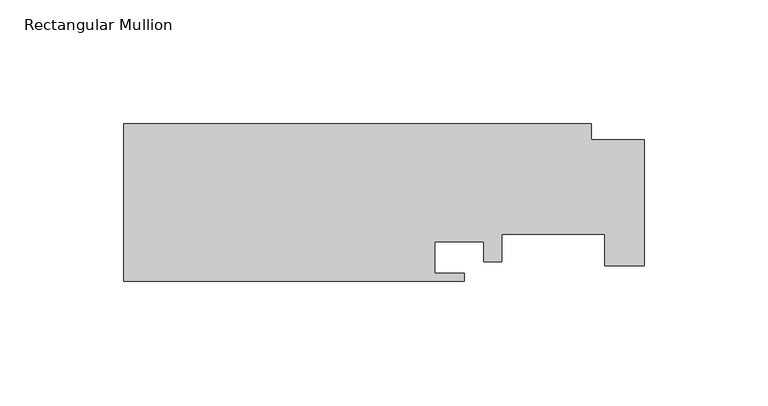
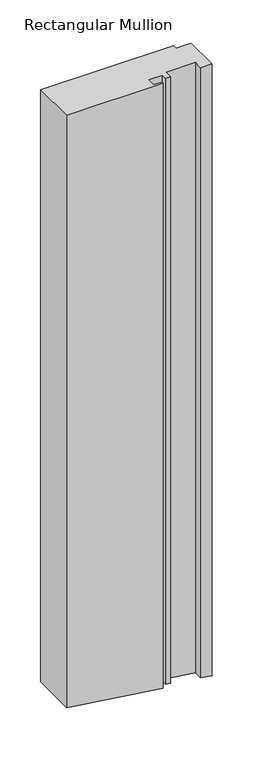
"""IFC4 building model written with IfcOpenShell, lengths in millimetres: member geometry, Rectangular Mullion."""

from ifc_helpers import new_model, si_unit, origin, place, context, project, spatial, faceted_brep, source, transform, mapped, element, save


def rectangular_mullion_15754d57(model_context):
    return source(origin(), model_context, "Body", "Brep", [
        faceted_brep([(-191.643, -19.05, 0.0), (-54.3052, -19.05, 0.0), (-54.3052, -15.875, 0.0), (-66.2178, -15.875, 0.0), (-66.2178, -3.175, 0.0), (-46.4058, -3.175, 0.0), (-46.4058, -11.1252, 0.0), (-39.243, -11.1252, 0.0), (-39.243, 0.0, 0.0), (2.413, 0.0, 0.0), (2.413, -12.7, 0.0), (18.288, -12.7, 0.0), (18.288, 38.1, 0.0), (-2.9972, 38.1, 0.0), (-2.9972, 44.45, 0.0), (-191.643, 44.45, 0.0), (-191.643, 44.45, -887.4663328), (-191.643, -19.05, -887.4663328), (-54.3052, -19.05, -906.7679019), (-54.3052, -15.875, -906.7679019), (-66.2178, -15.875, -905.0936951), (-66.2178, -3.175, -905.0936951), (-46.4058, -3.175, -907.8780901), (-46.4058, -11.1252, -907.8780901), (-39.243, -11.1252, -908.884756), (-39.243, 0.0, -908.884756), (2.413, 0.0, -914.739125), (2.413, -12.7, -914.739125), (18.288, -12.7, -916.9702108), (18.288, 38.1, -916.9702108), (-2.9972, 38.1, -913.978771), (-2.9972, 44.45, -913.978771)], [[[0, 1, 2, 3, 4, 5, 6, 7, 8, 9, 10, 11, 12, 13, 14, 15]], [[0, 15, 16, 17]], [[1, 0, 17, 18]], [[2, 1, 18, 19]], [[3, 2, 19, 20]], [[4, 3, 20, 21]], [[5, 4, 21, 22]], [[6, 5, 22, 23]], [[7, 6, 23, 24]], [[8, 7, 24, 25]], [[9, 8, 25, 26]], [[10, 9, 26, 27]], [[11, 10, 27, 28]], [[12, 11, 28, 29]], [[13, 12, 29, 30]], [[14, 13, 30, 31]], [[15, 14, 31, 16]], [[17, 16, 31, 30, 29, 28, 27, 26, 25, 24, 23, 22, 21, 20, 19, 18]]]),
    ])


if __name__ == "__main__":
    model = new_model("IFC4")
    model_context = context("Model", 3, world=origin())
    ifc_project = project(units=[si_unit("LENGTHUNIT", "METRE", prefix="MILLI")], contexts=[model_context])
    site = spatial("IfcSite", under=ifc_project)
    building = spatial("IfcBuilding", under=site)
    placement = place(None, origin())
    rectangular_mullion_shape = rectangular_mullion_15754d57(model_context)
    element("IfcMember", 1, ObjectType="Rectangular Mullion", at=placement, inside=building, context=model_context, shape_type="MappedRepresentation", body=[
        mapped(rectangular_mullion_shape, transform((0.0, 0.0, 0.0), x_axis=(1.0, 0.0, 0.0), y_axis=(0.0, 1.0, 0.0), z_axis=(0.0, 0.0, 1.0))),
    ])
    save(model, "model.ifc")
